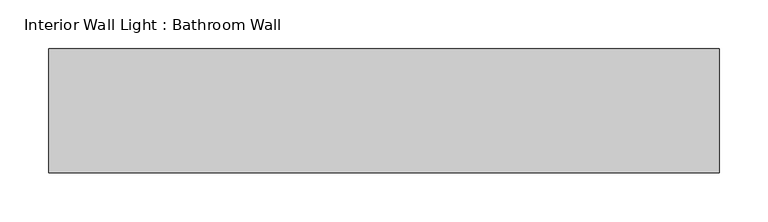
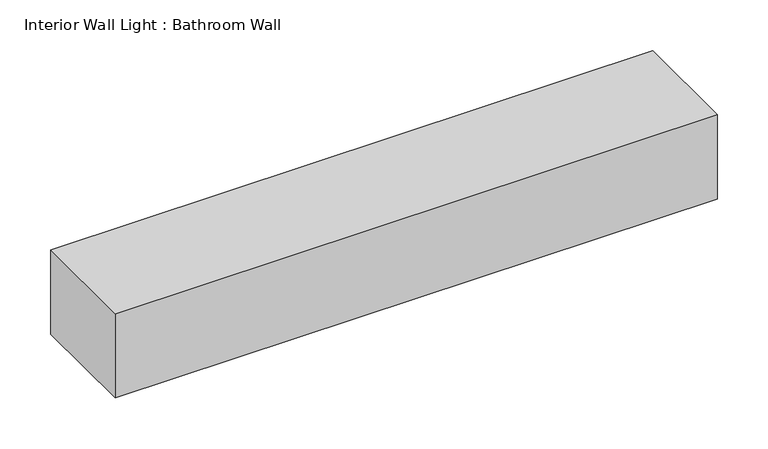
"""IFC4 building model written with IfcOpenShell, lengths in millimetres: light fixture geometry, Interior Wall Light : Bathroom Wall."""

from ifc_helpers import new_model, si_unit, frame, origin, place, context, project, spatial, polyline, outline, extrude, source, transform, mapped, element, save


def interior_wall_light_bathroom_wall_2207b66e(model_context):
    return source(origin(), model_context, "Body", "SweptSolid", [
        extrude(outline(polyline([(-377.3117675, 14.6745302), (308.4882325, 14.6745302), (308.4882325, -112.3254698), (-377.3117675, -112.3254698), (-377.3117675, 14.6745302)])), frame((0.0, 0.0, 2286.0), z_axis=(0.0, 0.0, 1.0), x_axis=(1.0, 0.0, 0.0)), (0.0, 0.0, 1.0), 101.6),
    ])


if __name__ == "__main__":
    model = new_model("IFC4")
    model_context = context("Model", 3, world=origin())
    ifc_project = project(units=[si_unit("LENGTHUNIT", "METRE", prefix="MILLI")], contexts=[model_context])
    site = spatial("IfcSite", under=ifc_project)
    building = spatial("IfcBuilding", under=site)
    placement = place(None, origin())
    interior_wall_light_bathroom_wall_shape = interior_wall_light_bathroom_wall_2207b66e(model_context)
    element("IfcLightFixture", 1, ObjectType="Interior Wall Light : Bathroom Wall", at=placement, inside=building, context=model_context, shape_type="MappedRepresentation", body=[
        mapped(interior_wall_light_bathroom_wall_shape, transform((0.0, 0.0, 0.0), x_axis=(1.0, 0.0, 0.0), y_axis=(0.0, 1.0, 0.0), z_axis=(0.0, 0.0, 1.0))),
    ])
    save(model, "model.ifc")
